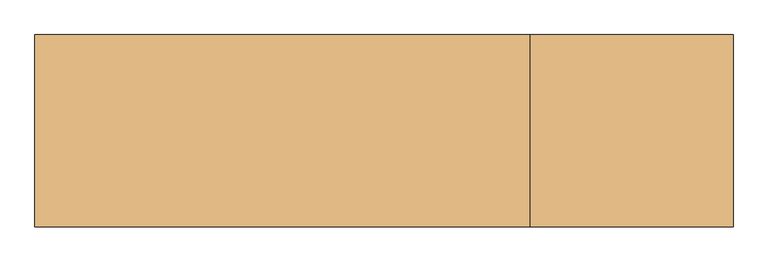
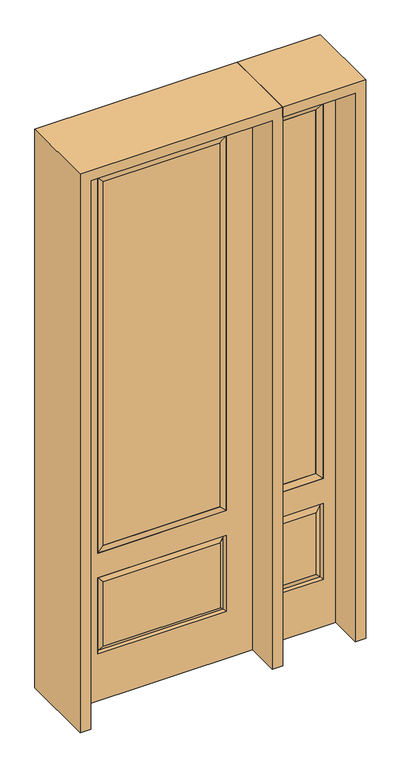
"""IFC4 building model written with IfcOpenShell, lengths in millimetres: door geometry."""

from ifc_helpers import new_model, si_unit, frame, origin, place, context, project, spatial, polyline, outline, extrude, faceted_brep, source, transform, mapped, element, save


def door_ca671842(model_context):
    return source(origin(), model_context, "Body", "SolidModel", [
        faceted_brep([(425.45, -22.225, 0.0), (730.25, -22.225, 0.0), (730.25, -22.225, 2438.4), (425.45, -22.225, 2438.4), (678.18, -22.225, 2325.624), (678.18, -22.225, 657.098), (477.52, -22.225, 657.098), (477.52, -22.225, 2325.624), (678.18, -22.225, 209.55), (477.52, -22.225, 209.55), (477.52, -22.225, 546.1), (678.18, -22.225, 546.1), (509.2351001, -22.225, 241.2651001), (646.4648999, -22.225, 241.2651001), (646.4648999, -22.225, 514.3848999), (509.2351001, -22.225, 514.3848999), (425.45, 22.225, 0.0), (425.45, 22.225, 2438.4), (730.25, 22.225, 2438.4), (730.25, 22.225, 0.0), (678.18, 22.225, 2325.624), (477.52, 22.225, 2325.624), (477.52, 22.225, 657.098), (678.18, 22.225, 657.098), (477.52, 22.225, 209.55), (678.18, 22.225, 209.55), (678.18, 22.225, 546.1), (477.52, 22.225, 546.1), (646.4648999, 22.225, 241.2651001), (509.2351001, 22.225, 241.2651001), (509.2351001, 22.225, 514.3848999), (646.4648999, 22.225, 514.3848999), (671.0711499, 12.7912373, 216.6588501), (484.6288501, 12.7912373, 216.6588501), (484.6288501, 12.7912373, 538.9911499), (671.0711499, 12.7912373, 538.9911499), (484.6288501, -12.7912373, 216.6588501), (671.0711499, -12.7912373, 216.6588501), (484.6288501, -12.7912373, 538.9911499), (671.0711499, -12.7912373, 538.9911499)], [[[0, 1, 2, 3], [4, 5, 6, 7], [8, 9, 10, 11]], [[12, 13, 14, 15]], [[16, 17, 18, 19], [20, 21, 22, 23], [24, 25, 26, 27]], [[28, 29, 30, 31]], [[1, 0, 16, 19]], [[2, 1, 19, 18]], [[3, 2, 18, 17]], [[0, 3, 17, 16]], [[5, 4, 20, 23]], [[6, 5, 23, 22]], [[7, 6, 22, 21]], [[4, 7, 21, 20]], [[32, 33, 29, 28]], [[33, 32, 25, 24]], [[29, 33, 34, 30]], [[33, 24, 27, 34]], [[30, 34, 35, 31]], [[34, 27, 26, 35]], [[32, 28, 31, 35]], [[25, 32, 35, 26]], [[12, 36, 37, 13]], [[37, 36, 9, 8]], [[36, 12, 15, 38]], [[9, 36, 38, 10]], [[38, 15, 14, 39]], [[10, 38, 39, 11]], [[13, 37, 39, 14]], [[37, 8, 11, 39]]]),
        faceted_brep([(477.52, 22.225, 2325.624), (477.52, -22.225, 2325.624), (678.18, -22.225, 2325.624), (678.18, 22.225, 2325.624), (502.92, 12.7, 2300.224), (652.78, 12.7, 2300.224), (502.92, -12.7, 2300.224), (652.78, -12.7, 2300.224), (678.18, -22.225, 657.098), (678.18, 22.225, 657.098), (652.78, 12.7, 682.498), (652.78, -12.7, 682.498), (477.52, -22.225, 657.098), (477.52, 22.225, 657.098), (502.92, 12.7, 682.498), (502.92, -12.7, 682.498)], [[[0, 1, 2, 3]], [[4, 0, 3, 5]], [[6, 4, 5, 7]], [[1, 6, 7, 2]], [[3, 2, 8, 9]], [[5, 3, 9, 10]], [[7, 5, 10, 11]], [[2, 7, 11, 8]], [[9, 8, 12, 13]], [[10, 9, 13, 14]], [[11, 10, 14, 15]], [[8, 11, 15, 12]], [[13, 12, 1, 0]], [[14, 13, 0, 4]], [[15, 14, 4, 6]], [[12, 15, 6, 1]]]),
        extrude(outline(polyline([(652.78, -12.7), (502.92, -12.7), (502.92, 12.7), (652.78, 12.7), (652.78, -12.7)])), frame((0.0, 0.0, 682.498), z_axis=(0.0, 0.0, 1.0), x_axis=(1.0, 0.0, 0.0)), (0.0, 0.0, 1.0), 1617.726),
        extrude(outline(polyline([(244.475, -20.32), (-244.475, -20.32), (-244.475, 5.08), (244.475, 5.08), (244.475, -20.32)])), frame((0.0, 0.0, 682.498), z_axis=(0.0, 0.0, 1.0), x_axis=(1.0, 0.0, 0.0)), (0.0, 0.0, 1.0), 1616.202),
        faceted_brep([(-262.7661499, -12.7912373, 216.6588501), (262.7661499, -12.7912373, 216.6588501), (245.26875, -22.225, 234.15625), (-245.26875, -22.225, 234.15625), (-269.875, -22.225, 209.55), (269.875, -22.225, 209.55), (-262.7661499, -12.7912373, 538.9911499), (-269.875, -22.225, 546.1), (245.26875, -22.225, 521.49375), (-245.26875, -22.225, 521.49375), (381.0, -22.225, 2438.4), (-381.0, -22.225, 2438.4), (-381.0, -22.225, 0.0), (381.0, -22.225, 0.0), (269.875, -22.225, 546.1), (269.875, -22.225, 2324.1), (269.875, -22.225, 657.098), (-269.875, -22.225, 657.098), (-269.875, -22.225, 2324.1), (262.7661499, -12.7912373, 538.9911499), (-381.0, 22.225, 2438.4), (-381.0, 22.225, 0.0), (381.0, 22.225, 0.0), (381.0, 22.225, 2438.4), (269.875, 22.225, 2324.1), (269.875, 22.225, 657.098), (-269.875, 22.225, 657.098), (-269.875, 22.225, 2324.1), (-269.875, 22.225, 209.55), (269.875, 22.225, 209.55), (269.875, 22.225, 546.1), (-269.875, 22.225, 546.1), (245.26875, 22.225, 234.15625), (-245.26875, 22.225, 234.15625), (-245.26875, 22.225, 521.49375), (245.26875, 22.225, 521.49375), (-262.7661499, 12.7912373, 216.6588501), (262.7661499, 12.7912373, 216.6588501), (262.7661499, 12.7912373, 538.9911499), (-262.7661499, 12.7912373, 538.9911499)], [[[0, 1, 2, 3]], [[1, 0, 4, 5]], [[4, 0, 6, 7]], [[3, 2, 8, 9]], [[10, 11, 12, 13], [5, 4, 7, 14], [15, 16, 17, 18]], [[1, 5, 14, 19]], [[2, 1, 19, 8]], [[0, 3, 9, 6]], [[7, 6, 19, 14]], [[6, 9, 8, 19]], [[12, 11, 20, 21]], [[13, 12, 21, 22]], [[10, 13, 22, 23]], [[16, 15, 24, 25]], [[17, 16, 25, 26]], [[18, 17, 26, 27]], [[23, 22, 21, 20], [28, 29, 30, 31], [24, 27, 26, 25]], [[32, 33, 34, 35]], [[28, 36, 37, 29]], [[29, 37, 38, 30]], [[39, 31, 30, 38]], [[36, 28, 31, 39]], [[37, 36, 33, 32]], [[33, 36, 39, 34]], [[34, 39, 38, 35]], [[37, 32, 35, 38]], [[11, 10, 23, 20]], [[15, 18, 27, 24]]]),
        faceted_brep([(-269.875, -22.225, 2324.1), (-269.875, 22.225, 2324.1), (-269.875, 22.225, 657.098), (-269.875, -22.225, 657.098), (269.875, 22.225, 657.098), (269.875, -22.225, 657.098), (-244.475, 5.08, 682.498), (244.475, 5.08, 682.498), (269.875, 22.225, 2324.1), (269.875, -22.225, 2324.1), (-244.475, -20.32, 682.498), (244.475, -20.32, 682.498), (-244.475, -20.32, 2298.7), (244.475, -20.32, 2298.7), (-244.475, 5.08, 2298.7), (244.475, 5.08, 2298.7)], [[[0, 1, 2, 3]], [[3, 2, 4, 5]], [[2, 6, 7, 4]], [[5, 4, 8, 9]], [[10, 3, 5, 11]], [[12, 0, 3, 10]], [[11, 5, 9, 13]], [[6, 10, 11, 7]], [[14, 12, 10, 6]], [[7, 11, 13, 15]], [[1, 14, 6, 2]], [[4, 7, 15, 8]], [[9, 8, 1, 0]], [[13, 9, 0, 12]], [[15, 13, 12, 14]], [[8, 15, 14, 1]]]),
        extrude(outline(polyline([(2482.85, -425.45), (0.0, -425.45), (0.0, -381.0), (2438.4, -381.0), (2438.4, 381.0), (0.0, 381.0), (0.0, 425.45), (2482.85, 425.45), (2482.85, -425.45)])), frame((0.0, -165.1, 0.0), z_axis=(0.0, 1.0, 0.0), x_axis=(0.0, 0.0, 1.0)), (0.0, 0.0, 1.0), 330.2),
        extrude(outline(polyline([(0.0, 730.25), (0.0, 774.7), (2482.85, 774.7), (2482.85, 425.45), (2438.4, 425.45), (2438.4, 730.25), (0.0, 730.25)])), frame((0.0, -165.1, 0.0), z_axis=(0.0, 1.0, 0.0), x_axis=(0.0, 0.0, 1.0)), (0.0, 0.0, 1.0), 330.2),
    ])


if __name__ == "__main__":
    model = new_model("IFC4")
    model_context = context("Model", 3, world=origin())
    ifc_project = project(units=[si_unit("LENGTHUNIT", "METRE", prefix="MILLI")], contexts=[model_context])
    site = spatial("IfcSite", under=ifc_project)
    building = spatial("IfcBuilding", under=site)
    placement = place(None, origin())
    door_shape = door_ca671842(model_context)
    element("IfcDoor", 1, at=placement, inside=building, context=model_context, shape_type="MappedRepresentation", body=[
        mapped(door_shape, transform((0.0, 0.0, 0.0), x_axis=(1.0, 0.0, 0.0), y_axis=(0.0, 1.0, 0.0), z_axis=(0.0, 0.0, 1.0))),
    ])
    save(model, "model.ifc")
